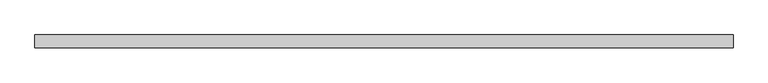
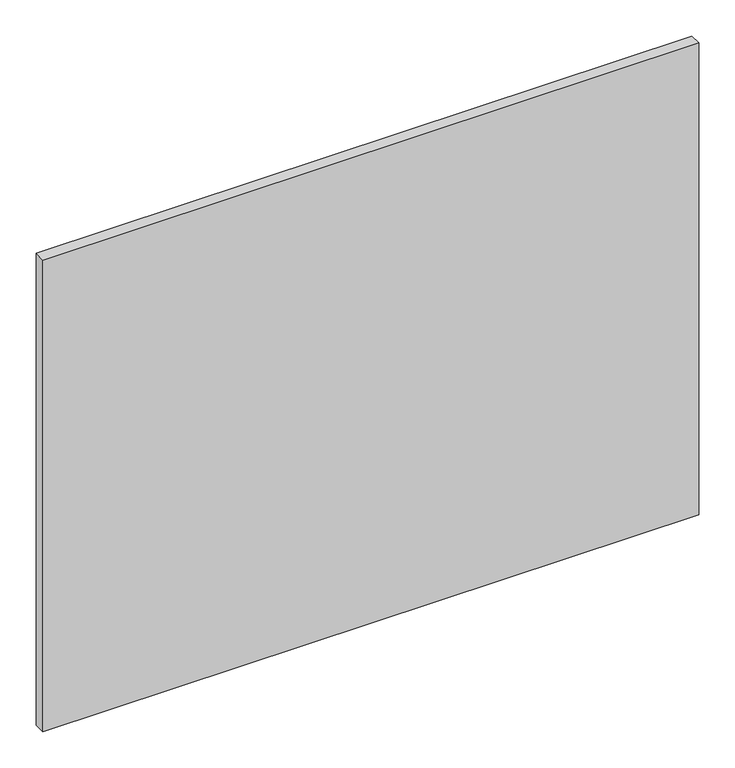
"""IFC4 building model written with IfcOpenShell, lengths in millimetres: proxy geometry."""

from ifc_helpers import new_model, si_unit, frame, origin, place, context, project, spatial, polyline, outline, extrude, source, transform, mapped, element, save


def specialty_equipment_d09bb12a(model_context):
    return source(origin(), model_context, "Body", "SweptSolid", [
        extrude(outline(polyline([(525.1749999, 0.0), (-525.1749999, 0.0), (-525.1749999, 19.05), (525.1749999, 19.05), (525.1749999, 0.0)])), frame((0.0, 0.0, 3.175), z_axis=(0.0, 0.0, 1.0), x_axis=(1.0, 0.0, 0.0)), (0.0, 0.0, 1.0), 799.2618001),
    ])


if __name__ == "__main__":
    model = new_model("IFC4")
    model_context = context("Model", 3, world=origin())
    ifc_project = project(units=[si_unit("LENGTHUNIT", "METRE", prefix="MILLI")], contexts=[model_context])
    site = spatial("IfcSite", under=ifc_project)
    building = spatial("IfcBuilding", under=site)
    placement = place(None, origin())
    specialty_equipment_shape = specialty_equipment_d09bb12a(model_context)
    element("IfcBuildingElementProxy", 1, Name="Specialty Equipment", at=placement, inside=building, context=model_context, shape_type="MappedRepresentation", body=[
        mapped(specialty_equipment_shape, transform((0.0, 0.0, 0.0), x_axis=(1.0, 0.0, 0.0), y_axis=(0.0, 1.0, 0.0), z_axis=(0.0, 0.0, 1.0))),
    ])
    save(model, "model.ifc")
